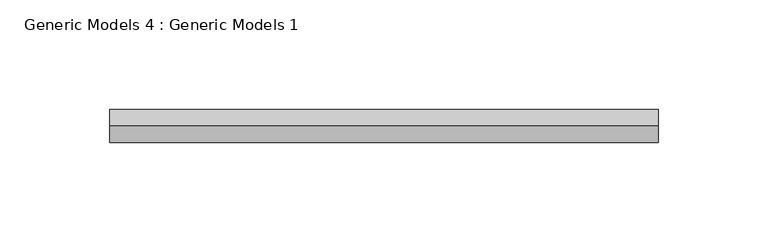
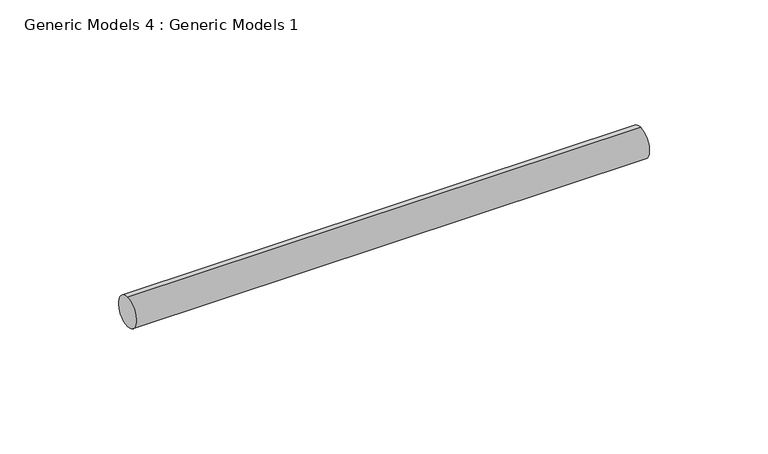
"""IFC4 building model written with IfcOpenShell, lengths in millimetres: proxy geometry, Generic Models 4 : Generic Models 1."""

from ifc_helpers import new_model, si_unit, point, frame, frame_2d, origin, place, context, project, spatial, circle_curve, trimmed, segment, composite_curve, outline, extrude, source, transform, mapped, element, save


def generic_models_4_generic_models_1_2020242c(model_context):
    return source(origin(), model_context, "Body", "SweptSolid", [
        extrude(outline(composite_curve([segment(trimmed(circle_curve(frame_2d((400.3057469, -814.107223)), 7.5), [point((400.3057469, -821.607223))], [point((400.3057469, -806.607223))], False, "CARTESIAN"), True, "CONTINUOUS"), segment(trimmed(circle_curve(frame_2d((400.3057469, -814.107223)), 7.5), [point((400.3057469, -806.607223))], [point((400.3057469, -821.607223))], False, "CARTESIAN"), True, "CONTINUOUS")], self_intersect=False)), frame((1514.5391659, 0.0, 0.0), z_axis=(1.0, 0.0, 0.0), x_axis=(0.0, 1.0, 0.0)), (0.0, 0.0, 1.0), 249.8000142),
    ])


if __name__ == "__main__":
    model = new_model("IFC4")
    model_context = context("Model", 3, world=origin())
    ifc_project = project(units=[si_unit("LENGTHUNIT", "METRE", prefix="MILLI")], contexts=[model_context])
    site = spatial("IfcSite", under=ifc_project)
    building = spatial("IfcBuilding", under=site)
    placement = place(None, origin())
    generic_models_4_generic_models_1_shape = generic_models_4_generic_models_1_2020242c(model_context)
    element("IfcBuildingElementProxy", 1, Name="Generic Models 4 : Generic Models 1", ObjectType="Generic Models 4 : Generic Models 1", at=placement, inside=building, context=model_context, shape_type="MappedRepresentation", body=[
        mapped(generic_models_4_generic_models_1_shape, transform((0.0, 0.0, 0.0), x_axis=(1.0, 0.0, 0.0), y_axis=(0.0, 1.0, 0.0), z_axis=(0.0, 0.0, 1.0))),
    ])
    save(model, "model.ifc")
